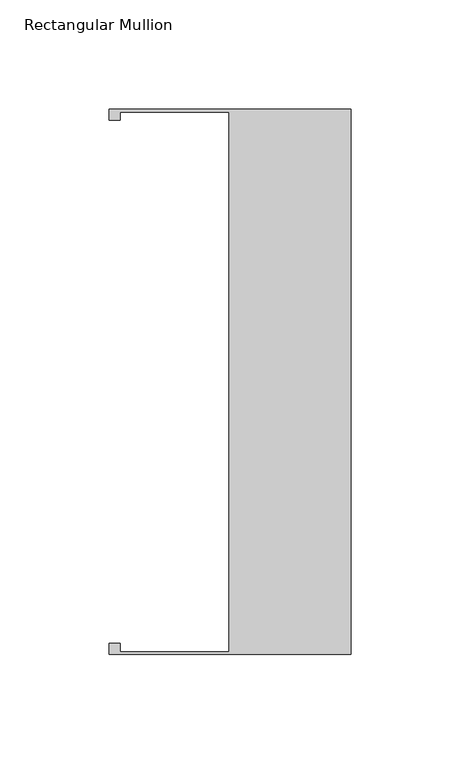
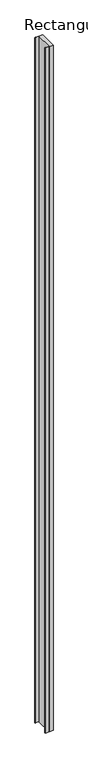
"""IFC4 building model written with IfcOpenShell, lengths in millimetres: member geometry, Rectangular Mullion."""

from ifc_helpers import new_model, si_unit, frame, origin, place, context, project, spatial, polyline, outline, extrude, source, transform, mapped, element, save


def rectangular_mullion_283ebac2(model_context):
    return source(origin(), model_context, "Body", "SweptSolid", [
        extrude(outline(polyline([(0.0, -124.8667969), (-110.744, -124.8667969), (-110.744, -119.7943077), (-105.664, -119.7943077), (-105.664, -123.5967969), (-55.739, -123.5967969), (-55.739, 123.5964503), (-105.664, 123.5964503), (-105.664, 119.7944503), (-110.744, 119.7944503), (-110.744, 124.8667969), (0.0, 124.8667969), (0.0, -124.8667969)])), frame((0.0, 0.0, -10160.0), z_axis=(0.0, 0.0, 1.0), x_axis=(1.0, 0.0, 0.0)), (0.0, 0.0, 1.0), 10160.0),
    ])


if __name__ == "__main__":
    model = new_model("IFC4")
    model_context = context("Model", 3, world=origin())
    ifc_project = project(units=[si_unit("LENGTHUNIT", "METRE", prefix="MILLI")], contexts=[model_context])
    site = spatial("IfcSite", under=ifc_project)
    building = spatial("IfcBuilding", under=site)
    placement = place(None, origin())
    rectangular_mullion_shape = rectangular_mullion_283ebac2(model_context)
    element("IfcMember", 1, ObjectType="Rectangular Mullion", at=placement, inside=building, context=model_context, shape_type="MappedRepresentation", body=[
        mapped(rectangular_mullion_shape, transform((0.0, 0.0, 0.0), x_axis=(1.0, 0.0, 0.0), y_axis=(0.0, 1.0, 0.0), z_axis=(0.0, 0.0, 1.0))),
    ])
    save(model, "model.ifc")
